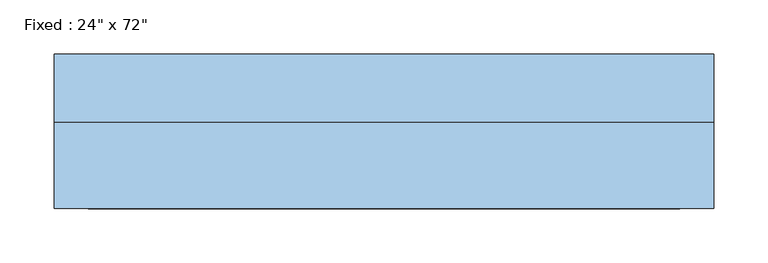
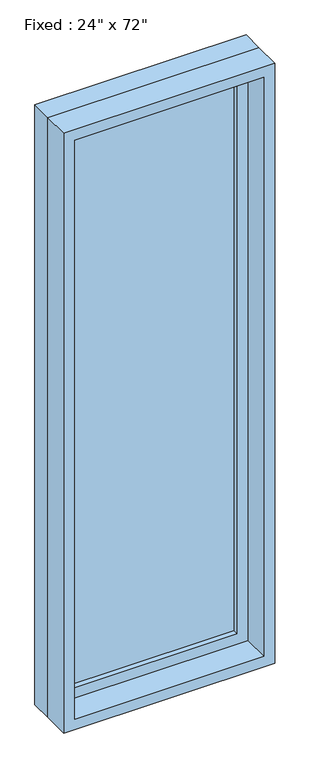
"""IFC4 building model written with IfcOpenShell, lengths in millimetres: window geometry."""

from ifc_helpers import new_model, si_unit, frame, origin, place, context, project, spatial, polyline, outline, extrude, source, transform, mapped, element, save


def window_1b593f5c(model_context):
    return source(origin(), model_context, "Body", "SweptSolid", [
        extrude(outline(polyline([(203.2, 23.8125), (-279.4, 23.8125), (-279.4, 36.5125), (203.2, 36.5125), (203.2, 23.8125)])), frame((0.0, 0.0, 368.3), z_axis=(0.0, 0.0, 1.0), x_axis=(1.0, 0.0, 0.0)), (0.0, 0.0, 1.0), 1701.8),
        extrude(outline(polyline([(2114.55, -323.85), (323.85, -323.85), (323.85, 247.65), (2114.55, 247.65), (2114.55, -323.85)]), holes=[polyline([(2070.1, -279.4), (2070.1, 203.2), (368.3, 203.2), (368.3, -279.4), (2070.1, -279.4)])]), frame((0.0, 7.9375, 0.0), z_axis=(0.0, 1.0, 0.0), x_axis=(0.0, 0.0, 1.0)), (0.0, 0.0, 1.0), 44.45),
        extrude(outline(polyline([(2133.6, -342.9), (304.8, -342.9), (304.8, 266.7), (2133.6, 266.7), (2133.6, -342.9)]), holes=[polyline([(2101.85, -311.15), (2101.85, 234.95), (336.55, 234.95), (336.55, -311.15), (2101.85, -311.15)])]), frame((0.0, -71.4375, 0.0), z_axis=(0.0, 1.0, 0.0), x_axis=(0.0, 0.0, 1.0)), (0.0, 0.0, 1.0), 79.375),
        extrude(outline(polyline([(2133.6, 266.7), (2133.6, -342.9), (304.8, -342.9), (304.8, 266.7), (2133.6, 266.7)]), holes=[polyline([(2114.55, 247.65), (323.85, 247.65), (323.85, -323.85), (2114.55, -323.85), (2114.55, 247.65)])]), frame((0.0, 7.9375, 0.0), z_axis=(0.0, 1.0, 0.0), x_axis=(0.0, 0.0, 1.0)), (0.0, 0.0, 1.0), 63.5),
    ])


if __name__ == "__main__":
    model = new_model("IFC4")
    model_context = context("Model", 3, world=origin())
    ifc_project = project(units=[si_unit("LENGTHUNIT", "METRE", prefix="MILLI")], contexts=[model_context])
    site = spatial("IfcSite", under=ifc_project)
    building = spatial("IfcBuilding", under=site)
    placement = place(None, origin())
    window_shape = window_1b593f5c(model_context)
    element("IfcWindow", 1, ObjectType="Fixed : 24\" x 72\"", at=placement, inside=building, context=model_context, shape_type="MappedRepresentation", body=[
        mapped(window_shape, transform((0.0, 0.0, 0.0), x_axis=(1.0, 0.0, 0.0), y_axis=(0.0, 1.0, 0.0), z_axis=(0.0, 0.0, 1.0))),
    ])
    save(model, "model.ifc")
